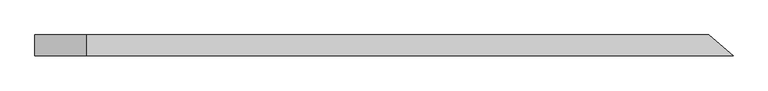
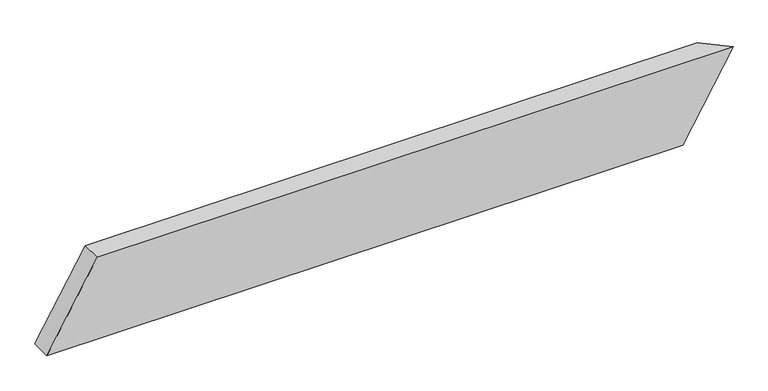
"""IFC4 building model written with IfcOpenShell, lengths in millimetres: beam geometry."""

from ifc_helpers import new_model, si_unit, origin, place, context, project, spatial, faceted_brep, source, transform, mapped, element, save


def beam_6aa8738e(model_context):
    return source(origin(), model_context, "Body", "Brep", [
        faceted_brep([(809.6830124, -24.0, 100.0), (-665.2314578, -24.0, 100.0), (-781.8981245, -24.0, -100.0), (693.0163458, -24.0, -100.0), (754.1132365, 24.0, 100.0), (637.4465698, 24.0, -100.0), (-781.8981245, 24.0, -100.0), (-665.2314578, 24.0, 100.0)], [[[0, 1, 2, 3]], [[4, 5, 6, 7]], [[5, 4, 0, 3]], [[6, 5, 3, 2]], [[7, 6, 2, 1]], [[4, 7, 1, 0]]]),
    ])


if __name__ == "__main__":
    model = new_model("IFC4")
    model_context = context("Model", 3, world=origin())
    ifc_project = project(units=[si_unit("LENGTHUNIT", "METRE", prefix="MILLI")], contexts=[model_context])
    site = spatial("IfcSite", under=ifc_project)
    building = spatial("IfcBuilding", under=site)
    placement = place(None, origin())
    beam_shape = beam_6aa8738e(model_context)
    element("IfcBeam", 1, at=placement, inside=building, context=model_context, shape_type="MappedRepresentation", body=[
        mapped(beam_shape, transform((0.0, 0.0, 0.0), x_axis=(1.0, 0.0, 0.0), y_axis=(0.0, 1.0, 0.0), z_axis=(0.0, 0.0, 1.0))),
    ])
    save(model, "model.ifc")
